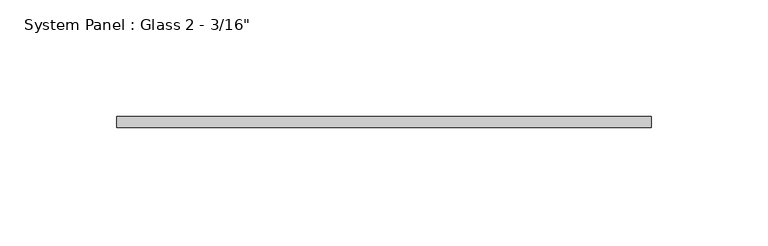
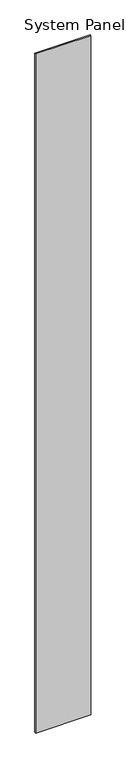
"""IFC4 building model written with IfcOpenShell, lengths in millimetres: plate geometry."""

from ifc_helpers import new_model, si_unit, origin, origin_with_axes, place, context, project, spatial, polyline, outline, extrude, source, transform, mapped, element, save


def plate_ffa9f412(model_context):
    return source(origin(), model_context, "Body", "SweptSolid", [
        extrude(outline(polyline([(114.3, -11.1125), (-114.3, -11.1125), (-114.3, -6.35), (114.3, -6.35), (114.3, -11.1125)])), origin_with_axes(), (0.0, 0.0, 1.0), 2971.8),
    ])


if __name__ == "__main__":
    model = new_model("IFC4")
    model_context = context("Model", 3, world=origin())
    ifc_project = project(units=[si_unit("LENGTHUNIT", "METRE", prefix="MILLI")], contexts=[model_context])
    site = spatial("IfcSite", under=ifc_project)
    building = spatial("IfcBuilding", under=site)
    placement = place(None, origin())
    plate_shape = plate_ffa9f412(model_context)
    element("IfcPlate", 1, ObjectType="System Panel : Glass 2 - 3/16\"", at=placement, inside=building, context=model_context, shape_type="MappedRepresentation", body=[
        mapped(plate_shape, transform((0.0, 0.0, 0.0), x_axis=(1.0, 0.0, 0.0), y_axis=(0.0, 1.0, 0.0), z_axis=(0.0, 0.0, 1.0))),
    ])
    save(model, "model.ifc")
